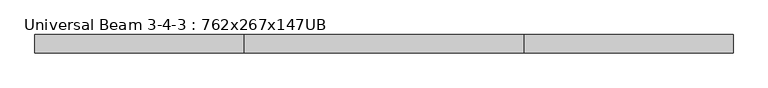
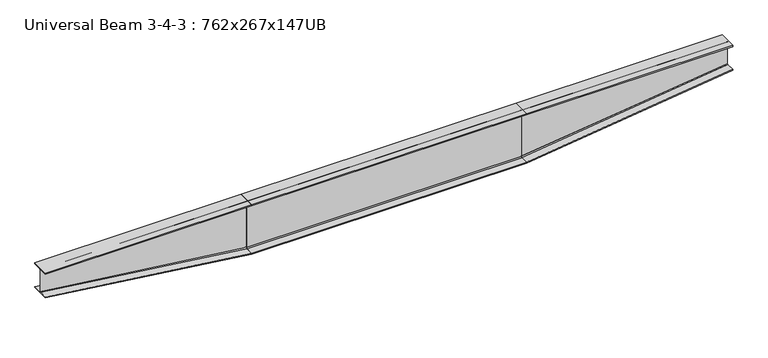
"""IFC4 building model written with IfcOpenShell, lengths in millimetres: beam geometry, Universal Beam 3-4-3 : 762x267x147UB."""

from ifc_helpers import new_model, si_unit, point, frame, frame_2d, origin, place, context, project, spatial, polyline, circle_curve, trimmed, segment, composite_curve, outline, extrude, source, transform, mapped, element, save
from ifc_brep_helpers import plane_surface, extruded_surface, spline_surface, advanced_brep


def universal_beam_3_4_3_762x267x147ub_bd9bcddc(model_context):
    return source(origin(), model_context, "Body", "SolidModel", [
        extrude(outline(composite_curve([segment(polyline([(132.6, -363.5), (132.6, -381.0), (-132.6, -381.0), (-132.6, -363.5), (-22.9, -363.5)]), True, "CONTINUOUS"), segment(trimmed(circle_curve(frame_2d((-22.9, -347.0)), 16.5), [point((-22.9, -363.5))], [point((-6.4, -347.0))], True, "CARTESIAN"), True, "CONTINUOUS"), segment(polyline([(-6.4, -347.0), (-6.4, 347.0)]), True, "CONTINUOUS"), segment(trimmed(circle_curve(frame_2d((-22.9, 347.0)), 16.5), [point((-6.4, 347.0))], [point((-22.9, 363.5))], True, "CARTESIAN"), True, "CONTINUOUS"), segment(polyline([(-22.9, 363.5), (-132.6, 363.5), (-132.6, 381.0), (132.6, 381.0), (132.6, 363.5), (22.9, 363.5)]), True, "CONTINUOUS"), segment(trimmed(circle_curve(frame_2d((22.9, 347.0)), 16.5), [point((22.9, 363.5))], [point((6.4, 347.0))], True, "CARTESIAN"), True, "CONTINUOUS"), segment(polyline([(6.4, 347.0), (6.4, -347.0)]), True, "CONTINUOUS"), segment(trimmed(circle_curve(frame_2d((22.9, -347.0)), 16.5), [point((6.4, -347.0))], [point((22.9, -363.5))], True, "CARTESIAN"), True, "CONTINUOUS"), segment(polyline([(22.9, -363.5), (132.6, -363.5)]), True, "CONTINUOUS")], self_intersect=False)), frame((-1995.3899, 0.0, 0.0), z_axis=(1.0, 0.0, 0.0), x_axis=(0.0, 1.0, 0.0)), (0.0, 0.0, 1.0), 4000.0),
        advanced_brep(
        [(5004.6101, 132.6, 381.0), (5004.6101, -132.6, 381.0), (5004.6101, -132.6, 363.5), (5004.6101, -19.5, 363.5), (5004.6101, -3.0, 347.0), (5004.6101, -3.0, 19.1), (5004.6101, -11.9, 10.2), (5004.6101, -132.6, 10.2), (5004.6101, -132.6, 0.0), (5004.6101, 132.6, 0.0), (5004.6101, 132.6, 10.2), (5004.6101, 11.9, 10.2), (5004.6101, 3.0, 19.1), (5004.6101, 3.0, 347.0), (5004.6101, 19.5, 363.5), (5004.6101, 132.6, 363.5), (2004.6101, 132.6, 381.0), (2004.6101, 132.6, 363.5), (2004.6101, 22.9, 363.5), (2004.6101, 6.4, 347.0), (2004.6101, 6.4, -347.0), (2004.6101, 22.9, -363.5), (2004.6101, 132.6, -363.5), (2004.6101, 132.6, -381.0), (2004.6101, -132.6, -381.0), (2004.6101, -132.6, -363.5), (2004.6101, -22.9, -363.5), (2004.6101, -6.4, -347.0), (2004.6101, -6.4, 347.0), (2004.6101, -22.9, 363.5), (2004.6101, -132.6, 363.5), (2004.6101, -132.6, 381.0)],
        [
            (0, 1),
            (1, 2),
            (2, 3),
            (3, 4, circle_curve(frame((5004.6101, -19.5, 347.0), z_axis=(-1.0, 0.0, 0.0), x_axis=(0.0, 1.0, 0.0)), 16.5)),
            (4, 5),
            (5, 6, circle_curve(frame((5004.6101, -11.9, 19.1), z_axis=(-1.0, 0.0, 0.0), x_axis=(0.0, 1.0, 0.0)), 8.9)),
            (6, 7),
            (7, 8),
            (8, 9),
            (9, 10),
            (10, 11),
            (11, 12, circle_curve(frame((5004.6101, 11.9, 19.1), z_axis=(-1.0, 0.0, 0.0), x_axis=(0.0, 1.0, 0.0)), 8.9)),
            (12, 13),
            (13, 14, circle_curve(frame((5004.6101, 19.5, 347.0), z_axis=(-1.0, 0.0, 0.0), x_axis=(0.0, 1.0, 0.0)), 16.5)),
            (14, 15),
            (15, 0),
            (16, 17),
            (17, 18),
            (18, 19, circle_curve(frame((2004.6101, 22.9, 347.0), z_axis=(1.0, 0.0, 0.0), x_axis=(0.0, 1.0, 0.0)), 16.5)),
            (19, 20),
            (20, 21, circle_curve(frame((2004.6101, 22.9, -347.0), z_axis=(1.0, 0.0, 0.0), x_axis=(0.0, 1.0, 0.0)), 16.5)),
            (21, 22),
            (22, 23),
            (23, 24),
            (24, 25),
            (25, 26),
            (26, 27, circle_curve(frame((2004.6101, -22.9, -347.0), z_axis=(1.0, 0.0, 0.0), x_axis=(0.0, 1.0, 0.0)), 16.5)),
            (27, 28),
            (28, 29, circle_curve(frame((2004.6101, -22.9, 347.0), z_axis=(1.0, 0.0, 0.0), x_axis=(0.0, 1.0, 0.0)), 16.5)),
            (29, 30),
            (30, 31),
            (31, 16),
            (16, 0),
            (15, 17),
            (14, 18),
            (13, 19),
            (12, 20),
            (11, 21),
            (10, 22),
            (9, 23),
            (8, 24),
            (7, 25),
            (6, 26),
            (5, 27),
            (4, 28),
            (3, 29),
            (2, 30),
            (1, 31),
        ],
        [
            plane_surface(frame((5004.6101, 0.0, 186.8125), z_axis=(1.0, 0.0, 0.0), x_axis=(0.0, -1.0, 0.0))),
            plane_surface(frame((2004.6101, 0.0, 0.0), z_axis=(-1.0, 0.0, 0.0), x_axis=(0.0, -1.0, 0.0))),
            plane_surface(frame((2004.6101, 132.6, 372.25), z_axis=(0.0, 1.0, 0.0), x_axis=(0.0, 0.0, 1.0))),
            plane_surface(frame((2004.6101, 77.75, 363.5), z_axis=(0.0, 0.0, -1.0), x_axis=(0.0, 1.0, 0.0))),
            extruded_surface(trimmed(circle_curve(frame((2004.6101, 22.9, 347.0), z_axis=(-1.0, 0.0, 0.0), x_axis=(0.0, 1.0, 0.0)), 16.5), [point((2004.6101, 6.4, 347.0))], [point((2004.6101, 22.9, 363.5))], True, "CARTESIAN"), (3000.0, -3.3999999999999986, 0.0), 3000.001926666048),
            plane_surface(frame((2004.6101, 6.4, 0.0), z_axis=(0.0011333326054903795, 0.9999993577783964, 0.0), x_axis=(0.0, 0.0, 1.0))),
            spline_surface(2, 1, [[(2004.6101, 22.9, -363.5), (5004.6101, 11.9, 10.2)], [(2004.6101, 6.399999999999999, -363.5), (5004.6101, 2.9999999999999982, 10.2)], [(2004.6101, 6.4, -347.0), (5004.6101, 3.0, 19.1)]], [3, 3], [2, 2], [0.0, 1.0], [0.0, 1.0], weights=[[1.0, 1.0], [0.7071067811865476, 0.7071067811865476], [1.0, 1.0]]),
            plane_surface(frame((2004.6101, 77.75, -363.5), z_axis=(-0.1236113288615284, 0.0, 0.9923307106892778), x_axis=(0.0, -1.0, 0.0))),
            plane_surface(frame((2004.6101, 132.6, -372.25), z_axis=(0.0, 1.0, 0.0), x_axis=(0.0, 0.0, 1.0))),
            plane_surface(frame((2004.6101, 0.0, -381.0), z_axis=(0.1259880336813325, 0.0, -0.9920317612703292), x_axis=(0.0, 1.0, 0.0))),
            plane_surface(frame((2004.6101, -132.6, -372.25), z_axis=(0.0, -1.0, 0.0), x_axis=(0.0, 0.0, -1.0))),
            plane_surface(frame((2004.6101, -77.75, -363.5), z_axis=(-0.12361132886152841, 0.0, 0.9923307106892778), x_axis=(0.0, -1.0, 0.0))),
            spline_surface(2, 1, [[(2004.6101, -6.4, -347.0), (5004.6101, -3.0, 19.1)], [(2004.6101, -6.399999999999999, -363.5), (5004.6101, -3.0, 10.200000000000001)], [(2004.6101, -22.9, -363.5), (5004.6101, -11.9, 10.2)]], [3, 3], [2, 2], [0.0, 1.0], [0.0, 1.0], weights=[[1.0, 1.0], [0.7071067811865476, 0.7071067811865476], [1.0, 1.0]]),
            plane_surface(frame((2004.6101, -6.4, 0.0), z_axis=(0.0011333326054739858, -0.9999993577783964, 0.0), x_axis=(0.0, 0.0, -1.0))),
            extruded_surface(trimmed(circle_curve(frame((2004.6101, -22.9, 347.0), z_axis=(-1.0, 0.0, 0.0), x_axis=(0.0, 1.0, 0.0)), 16.5), [point((2004.6101, -22.9, 363.5))], [point((2004.6101, -6.4, 347.0))], True, "CARTESIAN"), (3000.0, 3.3999999999999986, 0.0), 3000.001926666048),
            plane_surface(frame((2004.6101, -77.75, 363.5), z_axis=(0.0, 0.0, -1.0), x_axis=(0.0, 1.0, 0.0))),
            plane_surface(frame((2004.6101, -132.6, 372.25), z_axis=(0.0, -1.0, 0.0), x_axis=(0.0, 0.0, -1.0))),
            plane_surface(frame((2004.6101, 0.0, 381.0), z_axis=(0.0, 0.0, 1.0), x_axis=(0.0, -1.0, 0.0))),
        ],
        [
            (0, [[1, 2, 3, 4, 5, 6, 7, 8, 9, 10, 11, 12, 13, 14, 15, 16]]),
            (1, [[17, 18, 19, 20, 21, 22, 23, 24, 25, 26, 27, 28, 29, 30, 31, 32]]),
            (2, [[-17, 33, -16, 34]]),
            (3, [[-18, -34, -15, 35]]),
            (4, [[-19, -35, -14, 36]]),
            (5, [[-20, -36, -13, 37]]),
            (6, [[-21, -37, -12, 38]]),
            (7, [[-22, -38, -11, 39]]),
            (8, [[-23, -39, -10, 40]]),
            (9, [[-24, -40, -9, 41]]),
            (10, [[-25, -41, -8, 42]]),
            (11, [[-26, -42, -7, 43]]),
            (12, [[-27, -43, -6, 44]]),
            (13, [[-28, -44, -5, 45]]),
            (14, [[-29, -45, -4, 46]]),
            (15, [[-30, -46, -3, 47]]),
            (16, [[-31, -47, -2, 48]]),
            (17, [[-32, -48, -1, -33]]),
        ],
    ),
        advanced_brep(
        [(-4995.3899, 132.6, 381.0), (-4995.3899, 132.6, 363.5), (-4995.3899, 19.5, 363.5), (-4995.3899, 3.0, 347.0), (-4995.3899, 3.0, 19.1), (-4995.3899, 11.9, 10.2), (-4995.3899, 132.6, 10.2), (-4995.3899, 132.6, 0.0), (-4995.3899, -132.6, 0.0), (-4995.3899, -132.6, 10.2), (-4995.3899, -11.9, 10.2), (-4995.3899, -3.0, 19.1), (-4995.3899, -3.0, 347.0), (-4995.3899, -19.5, 363.5), (-4995.3899, -132.6, 363.5), (-4995.3899, -132.6, 381.0), (-1995.3899, 132.6, 381.0), (-1995.3899, -132.6, 381.0), (-1995.3899, -132.6, 363.5), (-1995.3899, -22.9, 363.5), (-1995.3899, -6.4, 347.0), (-1995.3899, -6.4, -347.0), (-1995.3899, -22.9, -363.5), (-1995.3899, -132.6, -363.5), (-1995.3899, -132.6, -381.0), (-1995.3899, 132.6, -381.0), (-1995.3899, 132.6, -363.5), (-1995.3899, 22.9, -363.5), (-1995.3899, 6.4, -347.0), (-1995.3899, 6.4, 347.0), (-1995.3899, 22.9, 363.5), (-1995.3899, 132.6, 363.5)],
        [
            (0, 1),
            (1, 2),
            (2, 3, circle_curve(frame((-4995.3899, 19.5, 347.0), z_axis=(1.0, 0.0, 0.0), x_axis=(0.0, -1.0, 0.0)), 16.5)),
            (3, 4),
            (4, 5, circle_curve(frame((-4995.3899, 11.9, 19.1), z_axis=(1.0, 0.0, 0.0), x_axis=(0.0, -1.0, 0.0)), 8.9)),
            (5, 6),
            (6, 7),
            (7, 8),
            (8, 9),
            (9, 10),
            (10, 11, circle_curve(frame((-4995.3899, -11.9, 19.1), z_axis=(1.0, 0.0, 0.0), x_axis=(0.0, -1.0, 0.0)), 8.9)),
            (11, 12),
            (12, 13, circle_curve(frame((-4995.3899, -19.5, 347.0), z_axis=(1.0, 0.0, 0.0), x_axis=(0.0, -1.0, 0.0)), 16.5)),
            (13, 14),
            (14, 15),
            (15, 0),
            (16, 17),
            (17, 18),
            (18, 19),
            (19, 20, circle_curve(frame((-1995.3899, -22.9, 347.0), z_axis=(-1.0, 0.0, 0.0), x_axis=(0.0, -1.0, 0.0)), 16.5)),
            (20, 21),
            (21, 22, circle_curve(frame((-1995.3899, -22.9, -347.0), z_axis=(-1.0, 0.0, 0.0), x_axis=(0.0, -1.0, 0.0)), 16.5)),
            (22, 23),
            (23, 24),
            (24, 25),
            (25, 26),
            (26, 27),
            (27, 28, circle_curve(frame((-1995.3899, 22.9, -347.0), z_axis=(-1.0, 0.0, 0.0), x_axis=(0.0, -1.0, 0.0)), 16.5)),
            (28, 29),
            (29, 30, circle_curve(frame((-1995.3899, 22.9, 347.0), z_axis=(-1.0, 0.0, 0.0), x_axis=(0.0, -1.0, 0.0)), 16.5)),
            (30, 31),
            (31, 16),
            (31, 1),
            (0, 16),
            (30, 2),
            (29, 3),
            (28, 4),
            (27, 5),
            (26, 6),
            (25, 7),
            (24, 8),
            (23, 9),
            (22, 10),
            (21, 11),
            (20, 12),
            (19, 13),
            (18, 14),
            (17, 15),
        ],
        [
            plane_surface(frame((-4995.3899, 0.0, 186.8125), z_axis=(-1.0, 0.0, 0.0), x_axis=(0.0, 0.0, -1.0))),
            plane_surface(frame((-1995.3899, 0.0, 0.0), z_axis=(1.0, 0.0, 0.0), x_axis=(0.0, 0.0, -1.0))),
            plane_surface(frame((-1995.3899, 132.6, 372.25), z_axis=(0.0, 1.0, 0.0), x_axis=(0.0, 0.0, -1.0))),
            plane_surface(frame((-1995.3899, 77.75, 363.5), z_axis=(0.0, 0.0, -1.0), x_axis=(0.0, -1.0, 0.0))),
            extruded_surface(trimmed(circle_curve(frame((-1995.3899, 22.9, 347.0), z_axis=(1.0, 0.0, 0.0), x_axis=(0.0, -1.0, 0.0)), 16.5), [point((-1995.3899, 22.9, 363.5))], [point((-1995.3899, 6.4, 347.0))], True, "CARTESIAN"), (-3000.0, -3.3999999999999986, 0.0), 3000.001926666048),
            plane_surface(frame((-1995.3899, 6.4, 0.0), z_axis=(-0.0011333326054903795, 0.9999993577783964, 0.0), x_axis=(0.0, 0.0, -1.0))),
            spline_surface(2, 1, [[(-1995.3899, 6.4, -347.0), (-4995.3899, 3.0, 19.1)], [(-1995.3899, 6.399999999999999, -363.5), (-4995.3899, 3.0, 10.200000000000001)], [(-1995.3899, 22.9, -363.5), (-4995.3899, 11.9, 10.2)]], [3, 3], [2, 2], [0.0, 1.0], [0.0, 1.0], weights=[[1.0, 1.0], [0.7071067811865476, 0.7071067811865476], [1.0, 1.0]]),
            plane_surface(frame((-1995.3899, 77.75, -363.5), z_axis=(0.1236113288615284, 0.0, 0.9923307106892778), x_axis=(0.0, 1.0, 0.0))),
            plane_surface(frame((-1995.3899, 132.6, -372.25), z_axis=(0.0, 1.0, 0.0), x_axis=(0.0, 0.0, -1.0))),
            plane_surface(frame((-1995.3899, 0.0, -381.0), z_axis=(-0.1259880336813325, 0.0, -0.9920317612703292), x_axis=(0.0, -1.0, 0.0))),
            plane_surface(frame((-1995.3899, -132.6, -372.25), z_axis=(0.0, -1.0, 0.0), x_axis=(0.0, 0.0, 1.0))),
            plane_surface(frame((-1995.3899, -77.75, -363.5), z_axis=(0.12361132886152841, 0.0, 0.9923307106892778), x_axis=(0.0, 1.0, 0.0))),
            spline_surface(2, 1, [[(-1995.3899, -22.9, -363.5), (-4995.3899, -11.9, 10.2)], [(-1995.3899, -6.399999999999999, -363.5), (-4995.3899, -2.9999999999999982, 10.2)], [(-1995.3899, -6.4, -347.0), (-4995.3899, -3.0, 19.1)]], [3, 3], [2, 2], [0.0, 1.0], [0.0, 1.0], weights=[[1.0, 1.0], [0.7071067811865476, 0.7071067811865476], [1.0, 1.0]]),
            plane_surface(frame((-1995.3899, -6.4, 0.0), z_axis=(-0.0011333326054739858, -0.9999993577783964, 0.0), x_axis=(0.0, 0.0, 1.0))),
            extruded_surface(trimmed(circle_curve(frame((-1995.3899, -22.9, 347.0), z_axis=(1.0, 0.0, 0.0), x_axis=(0.0, -1.0, 0.0)), 16.5), [point((-1995.3899, -6.4, 347.0))], [point((-1995.3899, -22.9, 363.5))], True, "CARTESIAN"), (-3000.0, 3.3999999999999986, 0.0), 3000.001926666048),
            plane_surface(frame((-1995.3899, -77.75, 363.5), z_axis=(0.0, 0.0, -1.0), x_axis=(0.0, -1.0, 0.0))),
            plane_surface(frame((-1995.3899, -132.6, 372.25), z_axis=(0.0, -1.0, 0.0), x_axis=(0.0, 0.0, 1.0))),
            plane_surface(frame((-1995.3899, 0.0, 381.0), z_axis=(0.0, 0.0, 1.0), x_axis=(0.0, 1.0, 0.0))),
        ],
        [
            (0, [[1, 2, 3, 4, 5, 6, 7, 8, 9, 10, 11, 12, 13, 14, 15, 16]]),
            (1, [[17, 18, 19, 20, 21, 22, 23, 24, 25, 26, 27, 28, 29, 30, 31, 32]]),
            (2, [[-32, 33, -1, 34]]),
            (3, [[-31, 35, -2, -33]]),
            (4, [[-30, 36, -3, -35]]),
            (5, [[-29, 37, -4, -36]]),
            (6, [[-28, 38, -5, -37]]),
            (7, [[-27, 39, -6, -38]]),
            (8, [[-26, 40, -7, -39]]),
            (9, [[-25, 41, -8, -40]]),
            (10, [[-24, 42, -9, -41]]),
            (11, [[-23, 43, -10, -42]]),
            (12, [[-22, 44, -11, -43]]),
            (13, [[-21, 45, -12, -44]]),
            (14, [[-20, 46, -13, -45]]),
            (15, [[-19, 47, -14, -46]]),
            (16, [[-18, 48, -15, -47]]),
            (17, [[-17, -34, -16, -48]]),
        ],
    ),
    ])


if __name__ == "__main__":
    model = new_model("IFC4")
    model_context = context("Model", 3, world=origin())
    ifc_project = project(units=[si_unit("LENGTHUNIT", "METRE", prefix="MILLI")], contexts=[model_context])
    site = spatial("IfcSite", under=ifc_project)
    building = spatial("IfcBuilding", under=site)
    placement = place(None, origin())
    universal_beam_3_4_3_762x267x147ub_shape = universal_beam_3_4_3_762x267x147ub_bd9bcddc(model_context)
    element("IfcBeam", 1, ObjectType="Universal Beam 3-4-3 : 762x267x147UB", at=placement, inside=building, context=model_context, shape_type="MappedRepresentation", body=[
        mapped(universal_beam_3_4_3_762x267x147ub_shape, transform((0.0, 0.0, 0.0), x_axis=(1.0, 0.0, 0.0), y_axis=(0.0, 1.0, 0.0), z_axis=(0.0, 0.0, 1.0))),
    ])
    save(model, "model.ifc")
